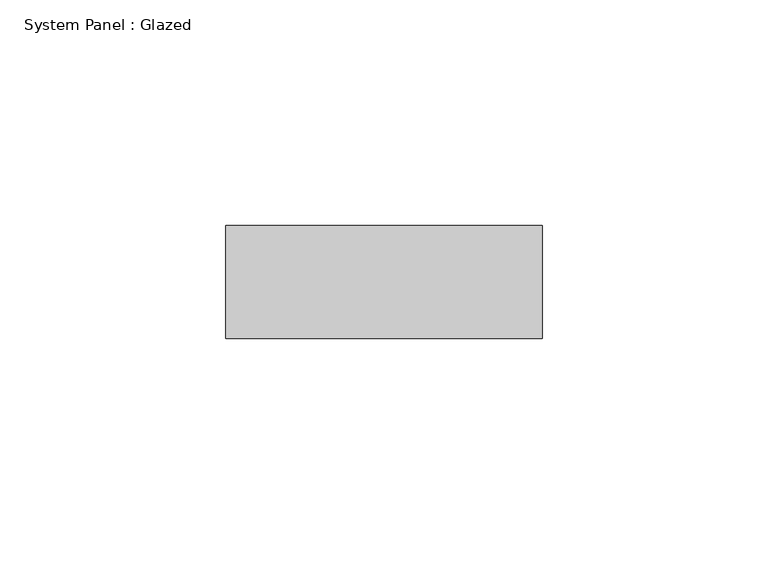
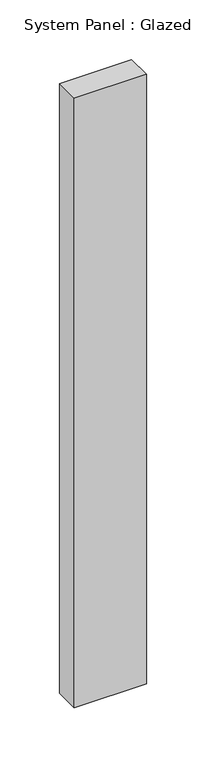
"""IFC4 building model written with IfcOpenShell, lengths in millimetres: plate geometry, System Panel : Glazed."""

from ifc_helpers import new_model, si_unit, origin, origin_with_axes, place, context, project, spatial, polyline, outline, extrude, source, transform, mapped, element, save


def system_panel_glazed_3095d6b3(model_context):
    return source(origin(), model_context, "Body", "SweptSolid", [
        extrude(outline(polyline([(35.0, 24.5), (-35.0, 24.5), (-35.0, 49.5), (35.0, 49.5), (35.0, 24.5)])), origin_with_axes(), (0.0, 0.0, 1.0), 625.0),
    ])


if __name__ == "__main__":
    model = new_model("IFC4")
    model_context = context("Model", 3, world=origin())
    ifc_project = project(units=[si_unit("LENGTHUNIT", "METRE", prefix="MILLI")], contexts=[model_context])
    site = spatial("IfcSite", under=ifc_project)
    building = spatial("IfcBuilding", under=site)
    placement = place(None, origin())
    system_panel_glazed_shape = system_panel_glazed_3095d6b3(model_context)
    element("IfcPlate", 1, ObjectType="System Panel : Glazed", at=placement, inside=building, context=model_context, shape_type="MappedRepresentation", body=[
        mapped(system_panel_glazed_shape, transform((0.0, 0.0, 0.0), x_axis=(1.0, 0.0, 0.0), y_axis=(0.0, 1.0, 0.0), z_axis=(0.0, 0.0, 1.0))),
    ])
    save(model, "model.ifc")
